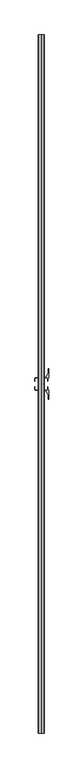
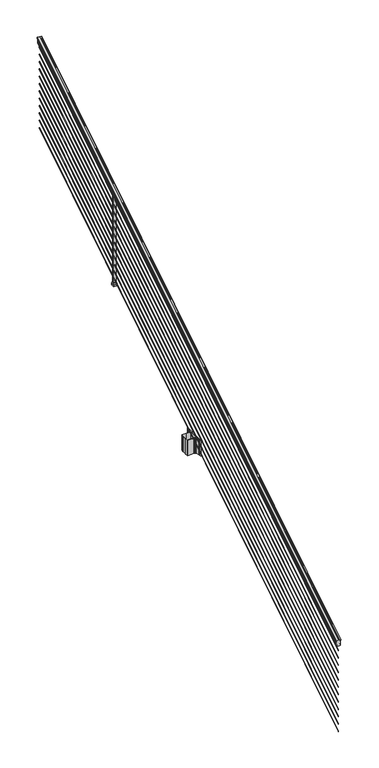
"""IFC4 building model written with IfcOpenShell, lengths in millimetres: railing geometry."""

from ifc_helpers import new_model, si_unit, point, frame, frame_2d, origin, place, context, project, spatial, polyline, circle_curve, ellipse_curve, trimmed, segment, composite_curve, outline, extrude, faceted_brep, source, transform, mapped, element, save
from ifc_brep_helpers import plane_surface, cylinder_surface, revolved_surface, advanced_brep


def railing_47678fa8(model_context):
    return source(origin(), model_context, "Body", "SolidModel", [
        advanced_brep(
        [(8666.232944, -103155.6628453, 1133.2070492), (8668.8067728, -103155.6628453, 1133.2070492), (8668.8067728, -103155.6628453, 1120.6394336), (8667.7907728, -103155.6628453, 1119.441318), (8667.7907728, -103155.6628453, 1104.9), (8699.5407728, -103155.6628453, 1104.9), (8699.5407728, -103155.6628453, 1119.6274214), (8698.5247728, -103155.6628453, 1120.825537), (8698.5247728, -103155.6628453, 1133.2070492), (8701.0986015, -103155.6628453, 1133.2070492), (8701.0986015, -103155.6628453, 1135.4335658), (8702.2287878, -103155.6628453, 1137.2758543), (8702.2287878, -103155.6628453, 1145.7876358), (8701.5795314, -103155.6628453, 1148.6572588), (8704.0795314, -103155.6628453, 1153.7635509), (8705.4888739, -103155.6628453, 1155.7442021), (8705.8907729, -103155.6628453, 1157.0469579), (8705.8907728, -103155.6628453, 1158.6274846), (8704.3373255, -103155.6628453, 1160.4593836), (8683.6657728, -103155.6628453, 1160.4593836), (8662.99422, -103155.6628453, 1160.4593836), (8661.4407728, -103155.6628453, 1158.6274846), (8661.4407728, -103155.6628453, 1157.0469579), (8661.8426717, -103155.6628453, 1155.7442021), (8663.2520141, -103155.6628453, 1153.7635509), (8665.7520141, -103155.6628453, 1148.6572588), (8665.1027577, -103155.6628453, 1145.7876358), (8665.1027577, -103155.6628453, 1137.2758543), (8666.232944, -103155.6628453, 1135.4335658), (8666.232944, -98278.8628453, 4181.2070492), (8666.232944, -98278.8628453, 4183.4335658), (8665.1027577, -98278.8628453, 4185.2758543), (8665.1027577, -98278.8628453, 4193.7876358), (8665.7520141, -98278.8628453, 4196.6572588), (8663.2520141, -98278.8628453, 4201.7635509), (8661.8426717, -98278.8628453, 4203.7442021), (8661.4407727, -98278.8628453, 4205.0469579), (8661.4407728, -98278.8628453, 4206.6274846), (8662.99422, -98278.8628453, 4208.4593836), (8683.6657728, -98278.8628453, 4208.4593836), (8704.3373255, -98278.8628453, 4208.4593836), (8705.8907728, -98278.8628453, 4206.6274846), (8705.8907728, -98278.8628453, 4205.0469579), (8705.4888739, -98278.8628453, 4203.7442021), (8704.0795314, -98278.8628453, 4201.7635509), (8701.5795314, -98278.8628453, 4196.6572588), (8702.2287878, -98278.8628453, 4193.7876358), (8702.2287878, -98278.8628453, 4185.2758543), (8701.0986015, -98278.8628453, 4183.4335658), (8701.0986015, -98278.8628453, 4181.2070492), (8698.5247728, -98278.8628453, 4181.2070492), (8698.5247728, -98278.8628453, 4168.825537), (8699.5407728, -98278.8628453, 4167.6274214), (8699.5407728, -98278.8628453, 4152.9), (8667.7907728, -98278.8628453, 4152.9), (8667.7907728, -98278.8628453, 4167.441318), (8668.8067728, -98278.8628453, 4168.6394336), (8668.8067728, -98278.8628453, 4181.2070492)],
        [
            (0, 1, ellipse_curve(frame((8667.5198584, -103155.6628453, 1133.2070492), z_axis=(0.0, -1.0, 0.0), x_axis=(0.0, 0.0, -1.0)), 1.5175907, 1.2869144)),
            (1, 2),
            (2, 3),
            (3, 4),
            (4, 5),
            (5, 6),
            (6, 7),
            (7, 8),
            (8, 9, ellipse_curve(frame((8699.8116871, -103155.6628453, 1133.2070492), z_axis=(0.0, -1.0, 0.0), x_axis=(0.0, 0.0, -1.0)), 1.5175907, 1.2869144)),
            (9, 10),
            (10, 11, ellipse_curve(frame((8694.7838482, -103155.6628453, 1142.2239405), z_axis=(0.0, -1.0, 0.0), x_axis=(0.0, 0.0, -1.0)), 10.0777926, 8.545951)),
            (11, 12, ellipse_curve(frame((8695.2209112, -103155.6628453, 1141.5317451), z_axis=(0.0, -1.0, 0.0), x_axis=(0.0, 0.0, -1.0)), 9.2955186, 7.882584)),
            (12, 13, ellipse_curve(frame((8705.7342353, -103155.6628453, 1148.4275077), z_axis=(0.0, 1.0, 0.0), x_axis=(0.0, 0.0, 1.0)), 4.9048088, 4.1592695)),
            (13, 14, ellipse_curve(frame((8707.0215419, -103155.6628453, 1148.3563208), z_axis=(0.0, 1.0, 0.0), x_axis=(0.0, 0.0, 1.0)), 6.4245301, 5.4479907)),
            (14, 15, ellipse_curve(frame((8705.7883834, -103155.6628453, 1153.7602333), z_axis=(0.0, 1.0, 0.0), x_axis=(0.0, 0.0, 1.0)), 2.0151625, 1.7088543)),
            (15, 16, ellipse_curve(frame((8704.1714833, -103155.6628453, 1157.0469579), z_axis=(0.0, -1.0, 0.0), x_axis=(0.0, 0.0, -1.0)), 2.0274681, 1.7192895)),
            (16, 17),
            (17, 18, ellipse_curve(frame((8704.3373255, -103155.6628453, 1158.6274846), z_axis=(0.0, -1.0, 0.0), x_axis=(0.0, 0.0, -1.0)), 1.831899, 1.5534472)),
            (18, 19),
            (19, 20),
            (20, 21, ellipse_curve(frame((8662.99422, -103155.6628453, 1158.6274846), z_axis=(0.0, -1.0, 0.0), x_axis=(0.0, 0.0, -1.0)), 1.831899, 1.5534472)),
            (21, 22),
            (22, 23, ellipse_curve(frame((8663.1600622, -103155.6628453, 1157.0469579), z_axis=(0.0, -1.0, 0.0), x_axis=(0.0, 0.0, -1.0)), 2.0274681, 1.7192895)),
            (23, 24, ellipse_curve(frame((8661.5431621, -103155.6628453, 1153.7602333), z_axis=(0.0, 1.0, 0.0), x_axis=(0.0, 0.0, 1.0)), 2.0151625, 1.7088543)),
            (24, 25, ellipse_curve(frame((8660.3100037, -103155.6628453, 1148.3563208), z_axis=(0.0, 1.0, 0.0), x_axis=(0.0, 0.0, 1.0)), 6.4245301, 5.4479907)),
            (25, 26, ellipse_curve(frame((8661.5973102, -103155.6628453, 1148.4275077), z_axis=(0.0, 1.0, 0.0), x_axis=(0.0, 0.0, 1.0)), 4.9048088, 4.1592695)),
            (26, 27, ellipse_curve(frame((8672.1106343, -103155.6628453, 1141.5317451), z_axis=(0.0, -1.0, 0.0), x_axis=(0.0, 0.0, -1.0)), 9.2955186, 7.882584)),
            (27, 28, ellipse_curve(frame((8672.5476973, -103155.6628453, 1142.2239405), z_axis=(0.0, -1.0, 0.0), x_axis=(0.0, 0.0, -1.0)), 10.0777926, 8.545951)),
            (28, 0),
            (29, 30),
            (30, 31, ellipse_curve(frame((8672.5476973, -98278.8628453, 4190.2239405), z_axis=(0.0, 1.0, 0.0), x_axis=(0.0, 0.0, -1.0)), 10.0777926, 8.545951)),
            (31, 32, ellipse_curve(frame((8672.1106343, -98278.8628453, 4189.5317451), z_axis=(0.0, 1.0, 0.0), x_axis=(0.0, 0.0, -1.0)), 9.2955186, 7.882584)),
            (32, 33, ellipse_curve(frame((8661.5973102, -98278.8628453, 4196.4275077), z_axis=(0.0, -1.0, 0.0), x_axis=(0.0, 0.0, 1.0)), 4.9048088, 4.1592695)),
            (33, 34, ellipse_curve(frame((8660.3100037, -98278.8628453, 4196.3563208), z_axis=(0.0, -1.0, 0.0), x_axis=(0.0, 0.0, 1.0)), 6.4245301, 5.4479907)),
            (34, 35, ellipse_curve(frame((8661.5431621, -98278.8628453, 4201.7602333), z_axis=(0.0, -1.0, 0.0), x_axis=(0.0, 0.0, 1.0)), 2.0151625, 1.7088543)),
            (35, 36, ellipse_curve(frame((8663.1600622, -98278.8628453, 4205.0469579), z_axis=(0.0, 1.0, 0.0), x_axis=(0.0, 0.0, -1.0)), 2.0274681, 1.7192895)),
            (36, 37),
            (37, 38, ellipse_curve(frame((8662.99422, -98278.8628453, 4206.6274846), z_axis=(0.0, 1.0, 0.0), x_axis=(0.0, 0.0, -1.0)), 1.831899, 1.5534472)),
            (38, 39),
            (39, 40),
            (40, 41, ellipse_curve(frame((8704.3373255, -98278.8628453, 4206.6274846), z_axis=(0.0, 1.0, 0.0), x_axis=(0.0, 0.0, -1.0)), 1.831899, 1.5534472)),
            (41, 42),
            (42, 43, ellipse_curve(frame((8704.1714833, -98278.8628453, 4205.0469579), z_axis=(0.0, 1.0, 0.0), x_axis=(0.0, 0.0, -1.0)), 2.0274681, 1.7192895)),
            (43, 44, ellipse_curve(frame((8705.7883834, -98278.8628453, 4201.7602333), z_axis=(0.0, -1.0, 0.0), x_axis=(0.0, 0.0, 1.0)), 2.0151625, 1.7088543)),
            (44, 45, ellipse_curve(frame((8707.0215419, -98278.8628453, 4196.3563208), z_axis=(0.0, -1.0, 0.0), x_axis=(0.0, 0.0, 1.0)), 6.4245301, 5.4479907)),
            (45, 46, ellipse_curve(frame((8705.7342353, -98278.8628453, 4196.4275077), z_axis=(0.0, -1.0, 0.0), x_axis=(0.0, 0.0, 1.0)), 4.9048088, 4.1592695)),
            (46, 47, ellipse_curve(frame((8695.2209112, -98278.8628453, 4189.5317451), z_axis=(0.0, 1.0, 0.0), x_axis=(0.0, 0.0, -1.0)), 9.2955186, 7.882584)),
            (47, 48, ellipse_curve(frame((8694.7838482, -98278.8628453, 4190.2239405), z_axis=(0.0, 1.0, 0.0), x_axis=(0.0, 0.0, -1.0)), 10.0777926, 8.545951)),
            (48, 49),
            (49, 50, ellipse_curve(frame((8699.8116871, -98278.8628453, 4181.2070492), z_axis=(0.0, 1.0, 0.0), x_axis=(0.0, 0.0, -1.0)), 1.5175907, 1.2869144)),
            (50, 51),
            (51, 52),
            (52, 53),
            (53, 54),
            (54, 55),
            (55, 56),
            (56, 57),
            (57, 29, ellipse_curve(frame((8667.5198584, -98278.8628453, 4181.2070492), z_axis=(0.0, 1.0, 0.0), x_axis=(0.0, 0.0, -1.0)), 1.5175907, 1.2869144)),
            (28, 30),
            (29, 0),
            (27, 31),
            (26, 32),
            (25, 33),
            (24, 34),
            (23, 35),
            (22, 36),
            (21, 37),
            (20, 38),
            (19, 39),
            (18, 40),
            (17, 41),
            (16, 42),
            (15, 43),
            (14, 44),
            (13, 45),
            (12, 46),
            (11, 47),
            (10, 48),
            (9, 49),
            (8, 50),
            (7, 51),
            (6, 52),
            (5, 53),
            (4, 54),
            (3, 55),
            (2, 56),
            (1, 57),
        ],
        [
            plane_surface(frame((8683.6657728, -103155.6628453, 1104.9), z_axis=(0.0, -1.0, 0.0), x_axis=(0.0, 0.0, 1.0))),
            plane_surface(frame((8683.6657728, -98278.8628453, 4152.9), z_axis=(0.0, 1.0, 0.0), x_axis=(0.0, 0.0, 1.0))),
            plane_surface(frame((8666.232944, -103155.6628453, 1135.4335658), z_axis=(-1.0, 0.0, 0.0), x_axis=(0.0, 0.8479983040051252, 0.5299989400031204))),
            cylinder_surface(frame((8672.5476973, -103172.43765, 1131.7396876), z_axis=(0.0, -0.8479983040051253, -0.5299989400031204), x_axis=(1.0, 0.0, 0.0)), 8.545951),
            cylinder_surface(frame((8672.1106343, -103172.1265509, 1131.241929), z_axis=(0.0, -0.8479983040051253, -0.5299989400031204), x_axis=(1.0, 0.0, 0.0)), 7.882584),
            revolved_surface(polyline([(8665.7565797, -98276.65843685035, 4197.805262980558), (8665.7565797, -103157.86725374944, 1147.0497524191019)]), (8661.5973102, -103175.2257701, 1136.2006797), (0.0, 0.8479983040051253, 0.5299989400031204)),
            revolved_surface(polyline([(8665.7579944, -98275.97541603574, 4198.160964077185), (8665.7579944, -103158.5502745528, 1146.551677504493)]), (8660.3100037, -103175.193776, 1136.1494891), (0.0, 0.8479983040051253, 0.5299989400031204)),
            revolved_surface(polyline([(8663.252016400002, -98277.95715429979, 4202.326290199658), (8663.252016400002, -103156.56853632248, 1153.1941764359544)]), (8661.5431621, -103177.6225007, 1140.0354487), (0.0, 0.8479983040051253, 0.5299989400031204)),
            cylinder_surface(frame((8663.1600622, -103179.0996803, 1142.398936), z_axis=(0.0, -0.8479983040051253, -0.5299989400031204), x_axis=(1.0, 0.0, 0.0)), 1.7192895),
            plane_surface(frame((8661.4407728, -103155.6628453, 1158.6274846), z_axis=(-1.0, 0.0, 0.0), x_axis=(0.0, 0.8479983040051252, 0.5299989400031204))),
            cylinder_surface(frame((8662.99422, -103179.8100294, 1143.5354945), z_axis=(0.0, -0.8479983040051253, -0.5299989400031204), x_axis=(1.0, 0.0, 0.0)), 1.5534472),
            plane_surface(frame((8683.6657728, -103155.6628453, 1160.4593836), z_axis=(0.0, -0.5299989400031204, 0.8479983040051252), x_axis=(0.0, 0.8479983040051252, 0.5299989400031204))),
            plane_surface(frame((8704.3373255, -103155.6628453, 1160.4593836), z_axis=(0.0, -0.5299989400031204, 0.8479983040051252), x_axis=(0.0, 0.8479983040051252, 0.5299989400031204))),
            cylinder_surface(frame((8704.3373255, -103179.8100294, 1143.5354945), z_axis=(0.0, -0.8479983040051253, -0.5299989400031204), x_axis=(-1.0, 0.0, 0.0)), 1.5534472),
            plane_surface(frame((8705.8907728, -103155.6628453, 1157.0469579), z_axis=(1.0000000000000002, 0.0, 0.0), x_axis=(0.0, 0.8479983040051253, 0.5299989400031204))),
            cylinder_surface(frame((8704.1714833, -103179.0996803, 1142.398936), z_axis=(0.0, -0.8479983040051253, -0.5299989400031204), x_axis=(-1.0, 0.0, 0.0)), 1.7192895),
            revolved_surface(polyline([(8704.0795291, -98277.95715429979, 4202.326290199658), (8704.0795291, -103156.56853632248, 1153.1941764359544)]), (8705.7883834, -103177.6225007, 1140.0354487), (0.0, 0.8479983040051253, 0.5299989400031204)),
            revolved_surface(polyline([(8701.5735512, -98275.97541603574, 4198.160964077185), (8701.5735512, -103158.5502745528, 1146.551677504493)]), (8707.0215419, -103175.193776, 1136.1494891), (0.0, 0.8479983040051253, 0.5299989400031204)),
            revolved_surface(polyline([(8701.5749658, -98276.65843685035, 4197.805262980558), (8701.5749658, -103157.86725374944, 1147.0497524191019)]), (8705.7342353, -103175.2257701, 1136.2006797), (0.0, 0.8479983040051253, 0.5299989400031204)),
            cylinder_surface(frame((8695.2209112, -103172.1265509, 1131.241929), z_axis=(0.0, -0.8479983040051253, -0.5299989400031204), x_axis=(-1.0, 0.0, 0.0)), 7.882584),
            cylinder_surface(frame((8694.7838482, -103172.43765, 1131.7396876), z_axis=(0.0, -0.8479983040051253, -0.5299989400031204), x_axis=(-1.0, 0.0, 0.0)), 8.545951),
            plane_surface(frame((8701.0986015, -103155.6628453, 1133.2070492), z_axis=(1.0, 0.0, 0.0), x_axis=(0.0, 0.8479983040051252, 0.5299989400031204))),
            cylinder_surface(frame((8699.8116871, -103168.3851146, 1125.2556309), z_axis=(0.0, -0.8479983040051253, -0.5299989400031204), x_axis=(-1.0, 0.0, 0.0)), 1.2869144),
            plane_surface(frame((8698.5247728, -103155.6628453, 1120.825537), z_axis=(1.0, 0.0, 0.0), x_axis=(0.0, 0.8479983040051252, 0.5299989400031204))),
            plane_surface(frame((8699.5407728, -103155.6628453, 1119.6274214), z_axis=(0.7071067811865426, -0.3747658444978921, 0.5996253511967194), x_axis=(0.0, 0.8479983040051253, 0.5299989400031204))),
            plane_surface(frame((8699.5407728, -103155.6628453, 1104.9), z_axis=(1.0, 0.0, 0.0), x_axis=(0.0, 0.8479983040051252, 0.5299989400031204))),
            plane_surface(frame((8667.7907728, -103155.6628453, 1104.9), z_axis=(0.0, 0.5299989400031204, -0.8479983040051252), x_axis=(0.0, 0.8479983040051252, 0.5299989400031204))),
            plane_surface(frame((8667.7907728, -103155.6628453, 1119.441318), z_axis=(-1.0000000000000002, 0.0, 0.0), x_axis=(0.0, 0.8479983040051253, 0.5299989400031204))),
            plane_surface(frame((8668.8067728, -103155.6628453, 1120.6394336), z_axis=(-0.7071067811865401, -0.3747658444978918, 0.5996253511967223), x_axis=(0.0, 0.8479983040051253, 0.5299989400031204))),
            plane_surface(frame((8668.8067728, -103155.6628453, 1133.2070492), z_axis=(-1.0, 0.0, 0.0), x_axis=(0.0, 0.8479983040051252, 0.5299989400031204))),
            cylinder_surface(frame((8667.5198584, -103168.3851146, 1125.2556309), z_axis=(0.0, -0.8479983040051253, -0.5299989400031204), x_axis=(1.0, 0.0, 0.0)), 1.2869144),
        ],
        [
            (0, [[1, 2, 3, 4, 5, 6, 7, 8, 9, 10, 11, 12, 13, 14, 15, 16, 17, 18, 19, 20, 21, 22, 23, 24, 25, 26, 27, 28, 29]]),
            (1, [[30, 31, 32, 33, 34, 35, 36, 37, 38, 39, 40, 41, 42, 43, 44, 45, 46, 47, 48, 49, 50, 51, 52, 53, 54, 55, 56, 57, 58]]),
            (2, [[-29, 59, -30, 60]]),
            (3, [[-28, 61, -31, -59]]),
            (4, [[-27, 62, -32, -61]]),
            (5, [[-26, 63, -33, -62]]),
            (6, [[-25, 64, -34, -63]]),
            (7, [[-24, 65, -35, -64]]),
            (8, [[-23, 66, -36, -65]]),
            (9, [[-22, 67, -37, -66]]),
            (10, [[-21, 68, -38, -67]]),
            (11, [[-20, 69, -39, -68]]),
            (12, [[-19, 70, -40, -69]]),
            (13, [[-18, 71, -41, -70]]),
            (14, [[-17, 72, -42, -71]]),
            (15, [[-16, 73, -43, -72]]),
            (16, [[-15, 74, -44, -73]]),
            (17, [[-14, 75, -45, -74]]),
            (18, [[-13, 76, -46, -75]]),
            (19, [[-12, 77, -47, -76]]),
            (20, [[-11, 78, -48, -77]]),
            (21, [[-10, 79, -49, -78]]),
            (22, [[-9, 80, -50, -79]]),
            (23, [[-8, 81, -51, -80]]),
            (24, [[-7, 82, -52, -81]]),
            (25, [[-6, 83, -53, -82]]),
            (26, [[-5, 84, -54, -83]]),
            (27, [[-4, 85, -55, -84]]),
            (28, [[-3, 86, -56, -85]]),
            (29, [[-2, 87, -57, -86]]),
            (30, [[-1, -60, -58, -87]]),
        ],
    ),
        advanced_brep(
        [(8685.2532728, -103155.6628453, 255.524), (8683.6657728, -103155.6628453, 257.3960556), (8682.0782728, -103155.6628453, 255.524), (8683.6657728, -103155.6628453, 253.6519444), (8685.2532728, -98278.8628453, 3303.524), (8683.6657728, -98278.8628453, 3301.6519444), (8682.0782728, -98278.8628453, 3303.524), (8683.6657728, -98278.8628453, 3305.3960556)],
        [
            (0, 1, ellipse_curve(frame((8683.6657728, -103155.6628453, 255.524), z_axis=(0.0, -1.0, 0.0), x_axis=(0.0, 0.0, -1.0)), 1.8720556, 1.5875)),
            (1, 2, ellipse_curve(frame((8683.6657728, -103155.6628453, 255.524), z_axis=(0.0, -1.0, 0.0), x_axis=(0.0, 0.0, -1.0)), 1.8720556, 1.5875)),
            (2, 3, ellipse_curve(frame((8683.6657728, -103155.6628453, 255.524), z_axis=(0.0, -1.0, 0.0), x_axis=(0.0, 0.0, -1.0)), 1.8720556, 1.5875)),
            (3, 0, ellipse_curve(frame((8683.6657728, -103155.6628453, 255.524), z_axis=(0.0, -1.0, 0.0), x_axis=(0.0, 0.0, -1.0)), 1.8720556, 1.5875)),
            (4, 5, ellipse_curve(frame((8683.6657728, -98278.8628453, 3303.524), z_axis=(0.0, 1.0, 0.0), x_axis=(0.0, 0.0, -1.0)), 1.8720556, 1.5875)),
            (5, 6, ellipse_curve(frame((8683.6657728, -98278.8628453, 3303.524), z_axis=(0.0, 1.0, 0.0), x_axis=(0.0, 0.0, -1.0)), 1.8720556, 1.5875)),
            (6, 7, ellipse_curve(frame((8683.6657728, -98278.8628453, 3303.524), z_axis=(0.0, 1.0, 0.0), x_axis=(0.0, 0.0, -1.0)), 1.8720556, 1.5875)),
            (7, 4, ellipse_curve(frame((8683.6657728, -98278.8628453, 3303.524), z_axis=(0.0, 1.0, 0.0), x_axis=(0.0, 0.0, -1.0)), 1.8720556, 1.5875)),
            (3, 5),
            (4, 0),
            (2, 6),
            (1, 7),
        ],
        [
            plane_surface(frame((8683.6657728, -103155.6628453, 255.524), z_axis=(0.0, -1.0, 0.0), x_axis=(0.0, 0.0, 1.0))),
            plane_surface(frame((8683.6657728, -98278.8628453, 3303.524), z_axis=(0.0, 1.0, 0.0), x_axis=(0.0, 0.0, 1.0))),
            cylinder_surface(frame((8683.6657728, -103155.6628453, 255.524), z_axis=(0.0, -0.8479983040051253, -0.5299989400031204), x_axis=(1.0, 0.0, 0.0)), 1.5875),
        ],
        [
            (0, [[1, 2, 3, 4]]),
            (1, [[5, 6, 7, 8]]),
            (2, [[-4, 9, -5, 10]]),
            (2, [[-3, 11, -6, -9]]),
            (2, [[-2, 12, -7, -11]]),
            (2, [[-1, -10, -8, -12]]),
        ],
    ),
        advanced_brep(
        [(8685.2532728, -103155.6628453, 328.676), (8683.6657728, -103155.6628453, 330.5480556), (8682.0782728, -103155.6628453, 328.676), (8683.6657728, -103155.6628453, 326.8039444), (8685.2532728, -98278.8628453, 3376.676), (8683.6657728, -98278.8628453, 3374.8039444), (8682.0782728, -98278.8628453, 3376.676), (8683.6657728, -98278.8628453, 3378.5480556)],
        [
            (0, 1, ellipse_curve(frame((8683.6657728, -103155.6628453, 328.676), z_axis=(0.0, -1.0, 0.0), x_axis=(0.0, 0.0, -1.0)), 1.8720556, 1.5875)),
            (1, 2, ellipse_curve(frame((8683.6657728, -103155.6628453, 328.676), z_axis=(0.0, -1.0, 0.0), x_axis=(0.0, 0.0, -1.0)), 1.8720556, 1.5875)),
            (2, 3, ellipse_curve(frame((8683.6657728, -103155.6628453, 328.676), z_axis=(0.0, -1.0, 0.0), x_axis=(0.0, 0.0, -1.0)), 1.8720556, 1.5875)),
            (3, 0, ellipse_curve(frame((8683.6657728, -103155.6628453, 328.676), z_axis=(0.0, -1.0, 0.0), x_axis=(0.0, 0.0, -1.0)), 1.8720556, 1.5875)),
            (4, 5, ellipse_curve(frame((8683.6657728, -98278.8628453, 3376.676), z_axis=(0.0, 1.0, 0.0), x_axis=(0.0, 0.0, -1.0)), 1.8720556, 1.5875)),
            (5, 6, ellipse_curve(frame((8683.6657728, -98278.8628453, 3376.676), z_axis=(0.0, 1.0, 0.0), x_axis=(0.0, 0.0, -1.0)), 1.8720556, 1.5875)),
            (6, 7, ellipse_curve(frame((8683.6657728, -98278.8628453, 3376.676), z_axis=(0.0, 1.0, 0.0), x_axis=(0.0, 0.0, -1.0)), 1.8720556, 1.5875)),
            (7, 4, ellipse_curve(frame((8683.6657728, -98278.8628453, 3376.676), z_axis=(0.0, 1.0, 0.0), x_axis=(0.0, 0.0, -1.0)), 1.8720556, 1.5875)),
            (0, 4),
            (7, 1),
            (6, 2),
            (5, 3),
        ],
        [
            plane_surface(frame((8683.6657728, -103155.6628453, 328.676), z_axis=(0.0, -1.0, 0.0), x_axis=(0.0, 0.0, 1.0))),
            plane_surface(frame((8683.6657728, -98278.8628453, 3376.676), z_axis=(0.0, 1.0, 0.0), x_axis=(0.0, 0.0, 1.0))),
            cylinder_surface(frame((8683.6657728, -103155.6628453, 328.676), z_axis=(0.0, -0.8479983040051253, -0.5299989400031204), x_axis=(1.0, 0.0, 0.0)), 1.5875),
        ],
        [
            (0, [[1, 2, 3, 4]]),
            (1, [[5, 6, 7, 8]]),
            (2, [[-1, 9, -8, 10]]),
            (2, [[-2, -10, -7, 11]]),
            (2, [[-3, -11, -6, 12]]),
            (2, [[-4, -12, -5, -9]]),
        ],
    ),
        advanced_brep(
        [(8685.2532728, -103155.6628453, 401.574), (8683.6657728, -103155.6628453, 403.4460556), (8682.0782728, -103155.6628453, 401.574), (8683.6657728, -103155.6628453, 399.7019444), (8685.2532728, -98278.8628453, 3449.574), (8683.6657728, -98278.8628453, 3447.7019444), (8682.0782728, -98278.8628453, 3449.574), (8683.6657728, -98278.8628453, 3451.4460556)],
        [
            (0, 1, ellipse_curve(frame((8683.6657728, -103155.6628453, 401.574), z_axis=(0.0, -1.0, 0.0), x_axis=(0.0, 0.0, -1.0)), 1.8720556, 1.5875)),
            (1, 2, ellipse_curve(frame((8683.6657728, -103155.6628453, 401.574), z_axis=(0.0, -1.0, 0.0), x_axis=(0.0, 0.0, -1.0)), 1.8720556, 1.5875)),
            (2, 3, ellipse_curve(frame((8683.6657728, -103155.6628453, 401.574), z_axis=(0.0, -1.0, 0.0), x_axis=(0.0, 0.0, -1.0)), 1.8720556, 1.5875)),
            (3, 0, ellipse_curve(frame((8683.6657728, -103155.6628453, 401.574), z_axis=(0.0, -1.0, 0.0), x_axis=(0.0, 0.0, -1.0)), 1.8720556, 1.5875)),
            (4, 5, ellipse_curve(frame((8683.6657728, -98278.8628453, 3449.574), z_axis=(0.0, 1.0, 0.0), x_axis=(0.0, 0.0, -1.0)), 1.8720556, 1.5875)),
            (5, 6, ellipse_curve(frame((8683.6657728, -98278.8628453, 3449.574), z_axis=(0.0, 1.0, 0.0), x_axis=(0.0, 0.0, -1.0)), 1.8720556, 1.5875)),
            (6, 7, ellipse_curve(frame((8683.6657728, -98278.8628453, 3449.574), z_axis=(0.0, 1.0, 0.0), x_axis=(0.0, 0.0, -1.0)), 1.8720556, 1.5875)),
            (7, 4, ellipse_curve(frame((8683.6657728, -98278.8628453, 3449.574), z_axis=(0.0, 1.0, 0.0), x_axis=(0.0, 0.0, -1.0)), 1.8720556, 1.5875)),
            (0, 4),
            (7, 1),
            (6, 2),
            (5, 3),
        ],
        [
            plane_surface(frame((8683.6657728, -103155.6628453, 401.574), z_axis=(0.0, -1.0, 0.0), x_axis=(0.0, 0.0, 1.0))),
            plane_surface(frame((8683.6657728, -98278.8628453, 3449.574), z_axis=(0.0, 1.0, 0.0), x_axis=(0.0, 0.0, 1.0))),
            cylinder_surface(frame((8683.6657728, -103155.6628453, 401.574), z_axis=(0.0, -0.8479983040051253, -0.5299989400031204), x_axis=(1.0, 0.0, 0.0)), 1.5875),
        ],
        [
            (0, [[1, 2, 3, 4]]),
            (1, [[5, 6, 7, 8]]),
            (2, [[-1, 9, -8, 10]]),
            (2, [[-2, -10, -7, 11]]),
            (2, [[-3, -11, -6, 12]]),
            (2, [[-4, -12, -5, -9]]),
        ],
    ),
        advanced_brep(
        [(8685.2532728, -103155.6628453, 474.726), (8683.6657728, -103155.6628453, 476.5980556), (8682.0782728, -103155.6628453, 474.726), (8683.6657728, -103155.6628453, 472.8539444), (8685.2532728, -98278.8628453, 3522.726), (8683.6657728, -98278.8628453, 3520.8539444), (8682.0782728, -98278.8628453, 3522.726), (8683.6657728, -98278.8628453, 3524.5980556)],
        [
            (0, 1, ellipse_curve(frame((8683.6657728, -103155.6628453, 474.726), z_axis=(0.0, -1.0, 0.0), x_axis=(0.0, 0.0, -1.0)), 1.8720556, 1.5875)),
            (1, 2, ellipse_curve(frame((8683.6657728, -103155.6628453, 474.726), z_axis=(0.0, -1.0, 0.0), x_axis=(0.0, 0.0, -1.0)), 1.8720556, 1.5875)),
            (2, 3, ellipse_curve(frame((8683.6657728, -103155.6628453, 474.726), z_axis=(0.0, -1.0, 0.0), x_axis=(0.0, 0.0, -1.0)), 1.8720556, 1.5875)),
            (3, 0, ellipse_curve(frame((8683.6657728, -103155.6628453, 474.726), z_axis=(0.0, -1.0, 0.0), x_axis=(0.0, 0.0, -1.0)), 1.8720556, 1.5875)),
            (4, 5, ellipse_curve(frame((8683.6657728, -98278.8628453, 3522.726), z_axis=(0.0, 1.0, 0.0), x_axis=(0.0, 0.0, -1.0)), 1.8720556, 1.5875)),
            (5, 6, ellipse_curve(frame((8683.6657728, -98278.8628453, 3522.726), z_axis=(0.0, 1.0, 0.0), x_axis=(0.0, 0.0, -1.0)), 1.8720556, 1.5875)),
            (6, 7, ellipse_curve(frame((8683.6657728, -98278.8628453, 3522.726), z_axis=(0.0, 1.0, 0.0), x_axis=(0.0, 0.0, -1.0)), 1.8720556, 1.5875)),
            (7, 4, ellipse_curve(frame((8683.6657728, -98278.8628453, 3522.726), z_axis=(0.0, 1.0, 0.0), x_axis=(0.0, 0.0, -1.0)), 1.8720556, 1.5875)),
            (0, 4),
            (7, 1),
            (6, 2),
            (5, 3),
        ],
        [
            plane_surface(frame((8683.6657728, -103155.6628453, 474.726), z_axis=(0.0, -1.0, 0.0), x_axis=(0.0, 0.0, 1.0))),
            plane_surface(frame((8683.6657728, -98278.8628453, 3522.726), z_axis=(0.0, 1.0, 0.0), x_axis=(0.0, 0.0, 1.0))),
            cylinder_surface(frame((8683.6657728, -103155.6628453, 474.726), z_axis=(0.0, -0.8479983040051253, -0.5299989400031204), x_axis=(1.0, 0.0, 0.0)), 1.5875),
        ],
        [
            (0, [[1, 2, 3, 4]]),
            (1, [[5, 6, 7, 8]]),
            (2, [[-1, 9, -8, 10]]),
            (2, [[-2, -10, -7, 11]]),
            (2, [[-3, -11, -6, 12]]),
            (2, [[-4, -12, -5, -9]]),
        ],
    ),
        advanced_brep(
        [(8685.2532728, -103155.6628453, 547.624), (8683.6657728, -103155.6628453, 549.4960556), (8682.0782728, -103155.6628453, 547.624), (8683.6657728, -103155.6628453, 545.7519444), (8685.2532728, -98278.8628453, 3595.624), (8683.6657728, -98278.8628453, 3593.7519444), (8682.0782728, -98278.8628453, 3595.624), (8683.6657728, -98278.8628453, 3597.4960556)],
        [
            (0, 1, ellipse_curve(frame((8683.6657728, -103155.6628453, 547.624), z_axis=(0.0, -1.0, 0.0), x_axis=(0.0, 0.0, -1.0)), 1.8720556, 1.5875)),
            (1, 2, ellipse_curve(frame((8683.6657728, -103155.6628453, 547.624), z_axis=(0.0, -1.0, 0.0), x_axis=(0.0, 0.0, -1.0)), 1.8720556, 1.5875)),
            (2, 3, ellipse_curve(frame((8683.6657728, -103155.6628453, 547.624), z_axis=(0.0, -1.0, 0.0), x_axis=(0.0, 0.0, -1.0)), 1.8720556, 1.5875)),
            (3, 0, ellipse_curve(frame((8683.6657728, -103155.6628453, 547.624), z_axis=(0.0, -1.0, 0.0), x_axis=(0.0, 0.0, -1.0)), 1.8720556, 1.5875)),
            (4, 5, ellipse_curve(frame((8683.6657728, -98278.8628453, 3595.624), z_axis=(0.0, 1.0, 0.0), x_axis=(0.0, 0.0, -1.0)), 1.8720556, 1.5875)),
            (5, 6, ellipse_curve(frame((8683.6657728, -98278.8628453, 3595.624), z_axis=(0.0, 1.0, 0.0), x_axis=(0.0, 0.0, -1.0)), 1.8720556, 1.5875)),
            (6, 7, ellipse_curve(frame((8683.6657728, -98278.8628453, 3595.624), z_axis=(0.0, 1.0, 0.0), x_axis=(0.0, 0.0, -1.0)), 1.8720556, 1.5875)),
            (7, 4, ellipse_curve(frame((8683.6657728, -98278.8628453, 3595.624), z_axis=(0.0, 1.0, 0.0), x_axis=(0.0, 0.0, -1.0)), 1.8720556, 1.5875)),
            (0, 4),
            (7, 1),
            (6, 2),
            (5, 3),
        ],
        [
            plane_surface(frame((8683.6657728, -103155.6628453, 547.624), z_axis=(0.0, -1.0, 0.0), x_axis=(0.0, 0.0, 1.0))),
            plane_surface(frame((8683.6657728, -98278.8628453, 3595.624), z_axis=(0.0, 1.0, 0.0), x_axis=(0.0, 0.0, 1.0))),
            cylinder_surface(frame((8683.6657728, -103155.6628453, 547.624), z_axis=(0.0, -0.8479983040051253, -0.5299989400031204), x_axis=(1.0, 0.0, 0.0)), 1.5875),
        ],
        [
            (0, [[1, 2, 3, 4]]),
            (1, [[5, 6, 7, 8]]),
            (2, [[-1, 9, -8, 10]]),
            (2, [[-2, -10, -7, 11]]),
            (2, [[-3, -11, -6, 12]]),
            (2, [[-4, -12, -5, -9]]),
        ],
    ),
        advanced_brep(
        [(8685.2532728, -103155.6628453, 620.776), (8683.6657728, -103155.6628453, 622.6480556), (8682.0782728, -103155.6628453, 620.776), (8683.6657728, -103155.6628453, 618.9039444), (8685.2532728, -98278.8628453, 3668.776), (8683.6657728, -98278.8628453, 3666.9039444), (8682.0782728, -98278.8628453, 3668.776), (8683.6657728, -98278.8628453, 3670.6480556)],
        [
            (0, 1, ellipse_curve(frame((8683.6657728, -103155.6628453, 620.776), z_axis=(0.0, -1.0, 0.0), x_axis=(0.0, 0.0, -1.0)), 1.8720556, 1.5875)),
            (1, 2, ellipse_curve(frame((8683.6657728, -103155.6628453, 620.776), z_axis=(0.0, -1.0, 0.0), x_axis=(0.0, 0.0, -1.0)), 1.8720556, 1.5875)),
            (2, 3, ellipse_curve(frame((8683.6657728, -103155.6628453, 620.776), z_axis=(0.0, -1.0, 0.0), x_axis=(0.0, 0.0, -1.0)), 1.8720556, 1.5875)),
            (3, 0, ellipse_curve(frame((8683.6657728, -103155.6628453, 620.776), z_axis=(0.0, -1.0, 0.0), x_axis=(0.0, 0.0, -1.0)), 1.8720556, 1.5875)),
            (4, 5, ellipse_curve(frame((8683.6657728, -98278.8628453, 3668.776), z_axis=(0.0, 1.0, 0.0), x_axis=(0.0, 0.0, -1.0)), 1.8720556, 1.5875)),
            (5, 6, ellipse_curve(frame((8683.6657728, -98278.8628453, 3668.776), z_axis=(0.0, 1.0, 0.0), x_axis=(0.0, 0.0, -1.0)), 1.8720556, 1.5875)),
            (6, 7, ellipse_curve(frame((8683.6657728, -98278.8628453, 3668.776), z_axis=(0.0, 1.0, 0.0), x_axis=(0.0, 0.0, -1.0)), 1.8720556, 1.5875)),
            (7, 4, ellipse_curve(frame((8683.6657728, -98278.8628453, 3668.776), z_axis=(0.0, 1.0, 0.0), x_axis=(0.0, 0.0, -1.0)), 1.8720556, 1.5875)),
            (0, 4),
            (7, 1),
            (6, 2),
            (5, 3),
        ],
        [
            plane_surface(frame((8683.6657728, -103155.6628453, 620.776), z_axis=(0.0, -1.0, 0.0), x_axis=(0.0, 0.0, 1.0))),
            plane_surface(frame((8683.6657728, -98278.8628453, 3668.776), z_axis=(0.0, 1.0, 0.0), x_axis=(0.0, 0.0, 1.0))),
            cylinder_surface(frame((8683.6657728, -103155.6628453, 620.776), z_axis=(0.0, -0.8479983040051253, -0.5299989400031204), x_axis=(1.0, 0.0, 0.0)), 1.5875),
        ],
        [
            (0, [[1, 2, 3, 4]]),
            (1, [[5, 6, 7, 8]]),
            (2, [[-1, 9, -8, 10]]),
            (2, [[-2, -10, -7, 11]]),
            (2, [[-3, -11, -6, 12]]),
            (2, [[-4, -12, -5, -9]]),
        ],
    ),
        advanced_brep(
        [(8685.2532728, -103155.6628453, 693.674), (8683.6657728, -103155.6628453, 695.5460556), (8682.0782728, -103155.6628453, 693.674), (8683.6657728, -103155.6628453, 691.8019444), (8685.2532728, -98278.8628453, 3741.674), (8683.6657728, -98278.8628453, 3739.8019444), (8682.0782728, -98278.8628453, 3741.674), (8683.6657728, -98278.8628453, 3743.5460556)],
        [
            (0, 1, ellipse_curve(frame((8683.6657728, -103155.6628453, 693.674), z_axis=(0.0, -1.0, 0.0), x_axis=(0.0, 0.0, -1.0)), 1.8720556, 1.5875)),
            (1, 2, ellipse_curve(frame((8683.6657728, -103155.6628453, 693.674), z_axis=(0.0, -1.0, 0.0), x_axis=(0.0, 0.0, -1.0)), 1.8720556, 1.5875)),
            (2, 3, ellipse_curve(frame((8683.6657728, -103155.6628453, 693.674), z_axis=(0.0, -1.0, 0.0), x_axis=(0.0, 0.0, -1.0)), 1.8720556, 1.5875)),
            (3, 0, ellipse_curve(frame((8683.6657728, -103155.6628453, 693.674), z_axis=(0.0, -1.0, 0.0), x_axis=(0.0, 0.0, -1.0)), 1.8720556, 1.5875)),
            (4, 5, ellipse_curve(frame((8683.6657728, -98278.8628453, 3741.674), z_axis=(0.0, 1.0, 0.0), x_axis=(0.0, 0.0, -1.0)), 1.8720556, 1.5875)),
            (5, 6, ellipse_curve(frame((8683.6657728, -98278.8628453, 3741.674), z_axis=(0.0, 1.0, 0.0), x_axis=(0.0, 0.0, -1.0)), 1.8720556, 1.5875)),
            (6, 7, ellipse_curve(frame((8683.6657728, -98278.8628453, 3741.674), z_axis=(0.0, 1.0, 0.0), x_axis=(0.0, 0.0, -1.0)), 1.8720556, 1.5875)),
            (7, 4, ellipse_curve(frame((8683.6657728, -98278.8628453, 3741.674), z_axis=(0.0, 1.0, 0.0), x_axis=(0.0, 0.0, -1.0)), 1.8720556, 1.5875)),
            (0, 4),
            (7, 1),
            (6, 2),
            (5, 3),
        ],
        [
            plane_surface(frame((8683.6657728, -103155.6628453, 693.674), z_axis=(0.0, -1.0, 0.0), x_axis=(0.0, 0.0, 1.0))),
            plane_surface(frame((8683.6657728, -98278.8628453, 3741.674), z_axis=(0.0, 1.0, 0.0), x_axis=(0.0, 0.0, 1.0))),
            cylinder_surface(frame((8683.6657728, -103155.6628453, 693.674), z_axis=(0.0, -0.8479983040051253, -0.5299989400031204), x_axis=(1.0, 0.0, 0.0)), 1.5875),
        ],
        [
            (0, [[1, 2, 3, 4]]),
            (1, [[5, 6, 7, 8]]),
            (2, [[-1, 9, -8, 10]]),
            (2, [[-2, -10, -7, 11]]),
            (2, [[-3, -11, -6, 12]]),
            (2, [[-4, -12, -5, -9]]),
        ],
    ),
        advanced_brep(
        [(8685.2532728, -103155.6628453, 766.826), (8683.6657728, -103155.6628453, 768.6980556), (8682.0782728, -103155.6628453, 766.826), (8683.6657728, -103155.6628453, 764.9539444), (8685.2532728, -98278.8628453, 3814.826), (8683.6657728, -98278.8628453, 3812.9539444), (8682.0782728, -98278.8628453, 3814.826), (8683.6657728, -98278.8628453, 3816.6980556)],
        [
            (0, 1, ellipse_curve(frame((8683.6657728, -103155.6628453, 766.826), z_axis=(0.0, -1.0, 0.0), x_axis=(0.0, 0.0, -1.0)), 1.8720556, 1.5875)),
            (1, 2, ellipse_curve(frame((8683.6657728, -103155.6628453, 766.826), z_axis=(0.0, -1.0, 0.0), x_axis=(0.0, 0.0, -1.0)), 1.8720556, 1.5875)),
            (2, 3, ellipse_curve(frame((8683.6657728, -103155.6628453, 766.826), z_axis=(0.0, -1.0, 0.0), x_axis=(0.0, 0.0, -1.0)), 1.8720556, 1.5875)),
            (3, 0, ellipse_curve(frame((8683.6657728, -103155.6628453, 766.826), z_axis=(0.0, -1.0, 0.0), x_axis=(0.0, 0.0, -1.0)), 1.8720556, 1.5875)),
            (4, 5, ellipse_curve(frame((8683.6657728, -98278.8628453, 3814.826), z_axis=(0.0, 1.0, 0.0), x_axis=(0.0, 0.0, -1.0)), 1.8720556, 1.5875)),
            (5, 6, ellipse_curve(frame((8683.6657728, -98278.8628453, 3814.826), z_axis=(0.0, 1.0, 0.0), x_axis=(0.0, 0.0, -1.0)), 1.8720556, 1.5875)),
            (6, 7, ellipse_curve(frame((8683.6657728, -98278.8628453, 3814.826), z_axis=(0.0, 1.0, 0.0), x_axis=(0.0, 0.0, -1.0)), 1.8720556, 1.5875)),
            (7, 4, ellipse_curve(frame((8683.6657728, -98278.8628453, 3814.826), z_axis=(0.0, 1.0, 0.0), x_axis=(0.0, 0.0, -1.0)), 1.8720556, 1.5875)),
            (0, 4),
            (7, 1),
            (6, 2),
            (5, 3),
        ],
        [
            plane_surface(frame((8683.6657728, -103155.6628453, 766.826), z_axis=(0.0, -1.0, 0.0), x_axis=(0.0, 0.0, 1.0))),
            plane_surface(frame((8683.6657728, -98278.8628453, 3814.826), z_axis=(0.0, 1.0, 0.0), x_axis=(0.0, 0.0, 1.0))),
            cylinder_surface(frame((8683.6657728, -103155.6628453, 766.826), z_axis=(0.0, -0.8479983040051253, -0.5299989400031204), x_axis=(1.0, 0.0, 0.0)), 1.5875),
        ],
        [
            (0, [[1, 2, 3, 4]]),
            (1, [[5, 6, 7, 8]]),
            (2, [[-1, 9, -8, 10]]),
            (2, [[-2, -10, -7, 11]]),
            (2, [[-3, -11, -6, 12]]),
            (2, [[-4, -12, -5, -9]]),
        ],
    ),
        advanced_brep(
        [(8685.2532728, -103155.6628453, 839.724), (8683.6657728, -103155.6628453, 841.5960556), (8682.0782728, -103155.6628453, 839.724), (8683.6657728, -103155.6628453, 837.8519444), (8685.2532728, -98278.8628453, 3887.724), (8683.6657728, -98278.8628453, 3885.8519444), (8682.0782728, -98278.8628453, 3887.724), (8683.6657728, -98278.8628453, 3889.5960556)],
        [
            (0, 1, ellipse_curve(frame((8683.6657728, -103155.6628453, 839.724), z_axis=(0.0, -1.0, 0.0), x_axis=(0.0, 0.0, -1.0)), 1.8720556, 1.5875)),
            (1, 2, ellipse_curve(frame((8683.6657728, -103155.6628453, 839.724), z_axis=(0.0, -1.0, 0.0), x_axis=(0.0, 0.0, -1.0)), 1.8720556, 1.5875)),
            (2, 3, ellipse_curve(frame((8683.6657728, -103155.6628453, 839.724), z_axis=(0.0, -1.0, 0.0), x_axis=(0.0, 0.0, -1.0)), 1.8720556, 1.5875)),
            (3, 0, ellipse_curve(frame((8683.6657728, -103155.6628453, 839.724), z_axis=(0.0, -1.0, 0.0), x_axis=(0.0, 0.0, -1.0)), 1.8720556, 1.5875)),
            (4, 5, ellipse_curve(frame((8683.6657728, -98278.8628453, 3887.724), z_axis=(0.0, 1.0, 0.0), x_axis=(0.0, 0.0, -1.0)), 1.8720556, 1.5875)),
            (5, 6, ellipse_curve(frame((8683.6657728, -98278.8628453, 3887.724), z_axis=(0.0, 1.0, 0.0), x_axis=(0.0, 0.0, -1.0)), 1.8720556, 1.5875)),
            (6, 7, ellipse_curve(frame((8683.6657728, -98278.8628453, 3887.724), z_axis=(0.0, 1.0, 0.0), x_axis=(0.0, 0.0, -1.0)), 1.8720556, 1.5875)),
            (7, 4, ellipse_curve(frame((8683.6657728, -98278.8628453, 3887.724), z_axis=(0.0, 1.0, 0.0), x_axis=(0.0, 0.0, -1.0)), 1.8720556, 1.5875)),
            (0, 4),
            (7, 1),
            (6, 2),
            (5, 3),
        ],
        [
            plane_surface(frame((8683.6657728, -103155.6628453, 839.724), z_axis=(0.0, -1.0, 0.0), x_axis=(0.0, 0.0, 1.0))),
            plane_surface(frame((8683.6657728, -98278.8628453, 3887.724), z_axis=(0.0, 1.0, 0.0), x_axis=(0.0, 0.0, 1.0))),
            cylinder_surface(frame((8683.6657728, -103155.6628453, 839.724), z_axis=(0.0, -0.8479983040051253, -0.5299989400031204), x_axis=(1.0, 0.0, 0.0)), 1.5875),
        ],
        [
            (0, [[1, 2, 3, 4]]),
            (1, [[5, 6, 7, 8]]),
            (2, [[-1, 9, -8, 10]]),
            (2, [[-2, -10, -7, 11]]),
            (2, [[-3, -11, -6, 12]]),
            (2, [[-4, -12, -5, -9]]),
        ],
    ),
        advanced_brep(
        [(8685.2532728, -103155.6628453, 912.876), (8683.6657728, -103155.6628453, 914.7480556), (8682.0782728, -103155.6628453, 912.876), (8683.6657728, -103155.6628453, 911.0039444), (8685.2532728, -98278.8628453, 3960.876), (8683.6657728, -98278.8628453, 3959.0039444), (8682.0782728, -98278.8628453, 3960.876), (8683.6657728, -98278.8628453, 3962.7480556)],
        [
            (0, 1, ellipse_curve(frame((8683.6657728, -103155.6628453, 912.876), z_axis=(0.0, -1.0, 0.0), x_axis=(0.0, 0.0, -1.0)), 1.8720556, 1.5875)),
            (1, 2, ellipse_curve(frame((8683.6657728, -103155.6628453, 912.876), z_axis=(0.0, -1.0, 0.0), x_axis=(0.0, 0.0, -1.0)), 1.8720556, 1.5875)),
            (2, 3, ellipse_curve(frame((8683.6657728, -103155.6628453, 912.876), z_axis=(0.0, -1.0, 0.0), x_axis=(0.0, 0.0, -1.0)), 1.8720556, 1.5875)),
            (3, 0, ellipse_curve(frame((8683.6657728, -103155.6628453, 912.876), z_axis=(0.0, -1.0, 0.0), x_axis=(0.0, 0.0, -1.0)), 1.8720556, 1.5875)),
            (4, 5, ellipse_curve(frame((8683.6657728, -98278.8628453, 3960.876), z_axis=(0.0, 1.0, 0.0), x_axis=(0.0, 0.0, -1.0)), 1.8720556, 1.5875)),
            (5, 6, ellipse_curve(frame((8683.6657728, -98278.8628453, 3960.876), z_axis=(0.0, 1.0, 0.0), x_axis=(0.0, 0.0, -1.0)), 1.8720556, 1.5875)),
            (6, 7, ellipse_curve(frame((8683.6657728, -98278.8628453, 3960.876), z_axis=(0.0, 1.0, 0.0), x_axis=(0.0, 0.0, -1.0)), 1.8720556, 1.5875)),
            (7, 4, ellipse_curve(frame((8683.6657728, -98278.8628453, 3960.876), z_axis=(0.0, 1.0, 0.0), x_axis=(0.0, 0.0, -1.0)), 1.8720556, 1.5875)),
            (0, 4),
            (7, 1),
            (6, 2),
            (5, 3),
        ],
        [
            plane_surface(frame((8683.6657728, -103155.6628453, 912.876), z_axis=(0.0, -1.0, 0.0), x_axis=(0.0, 0.0, 1.0))),
            plane_surface(frame((8683.6657728, -98278.8628453, 3960.876), z_axis=(0.0, 1.0, 0.0), x_axis=(0.0, 0.0, 1.0))),
            cylinder_surface(frame((8683.6657728, -103155.6628453, 912.876), z_axis=(0.0, -0.8479983040051253, -0.5299989400031204), x_axis=(1.0, 0.0, 0.0)), 1.5875),
        ],
        [
            (0, [[1, 2, 3, 4]]),
            (1, [[5, 6, 7, 8]]),
            (2, [[-1, 9, -8, 10]]),
            (2, [[-2, -10, -7, 11]]),
            (2, [[-3, -11, -6, 12]]),
            (2, [[-4, -12, -5, -9]]),
        ],
    ),
        advanced_brep(
        [(8685.2532728, -103155.6628453, 985.774), (8683.6657728, -103155.6628453, 987.6460556), (8682.0782728, -103155.6628453, 985.774), (8683.6657728, -103155.6628453, 983.9019444), (8685.2532728, -98278.8628453, 4033.774), (8683.6657728, -98278.8628453, 4031.9019444), (8682.0782728, -98278.8628453, 4033.774), (8683.6657728, -98278.8628453, 4035.6460556)],
        [
            (0, 1, ellipse_curve(frame((8683.6657728, -103155.6628453, 985.774), z_axis=(0.0, -1.0, 0.0), x_axis=(0.0, 0.0, -1.0)), 1.8720556, 1.5875)),
            (1, 2, ellipse_curve(frame((8683.6657728, -103155.6628453, 985.774), z_axis=(0.0, -1.0, 0.0), x_axis=(0.0, 0.0, -1.0)), 1.8720556, 1.5875)),
            (2, 3, ellipse_curve(frame((8683.6657728, -103155.6628453, 985.774), z_axis=(0.0, -1.0, 0.0), x_axis=(0.0, 0.0, -1.0)), 1.8720556, 1.5875)),
            (3, 0, ellipse_curve(frame((8683.6657728, -103155.6628453, 985.774), z_axis=(0.0, -1.0, 0.0), x_axis=(0.0, 0.0, -1.0)), 1.8720556, 1.5875)),
            (4, 5, ellipse_curve(frame((8683.6657728, -98278.8628453, 4033.774), z_axis=(0.0, 1.0, 0.0), x_axis=(0.0, 0.0, -1.0)), 1.8720556, 1.5875)),
            (5, 6, ellipse_curve(frame((8683.6657728, -98278.8628453, 4033.774), z_axis=(0.0, 1.0, 0.0), x_axis=(0.0, 0.0, -1.0)), 1.8720556, 1.5875)),
            (6, 7, ellipse_curve(frame((8683.6657728, -98278.8628453, 4033.774), z_axis=(0.0, 1.0, 0.0), x_axis=(0.0, 0.0, -1.0)), 1.8720556, 1.5875)),
            (7, 4, ellipse_curve(frame((8683.6657728, -98278.8628453, 4033.774), z_axis=(0.0, 1.0, 0.0), x_axis=(0.0, 0.0, -1.0)), 1.8720556, 1.5875)),
            (0, 4),
            (7, 1),
            (6, 2),
            (5, 3),
        ],
        [
            plane_surface(frame((8683.6657728, -103155.6628453, 985.774), z_axis=(0.0, -1.0, 0.0), x_axis=(0.0, 0.0, 1.0))),
            plane_surface(frame((8683.6657728, -98278.8628453, 4033.774), z_axis=(0.0, 1.0, 0.0), x_axis=(0.0, 0.0, 1.0))),
            cylinder_surface(frame((8683.6657728, -103155.6628453, 985.774), z_axis=(0.0, -0.8479983040051253, -0.5299989400031204), x_axis=(1.0, 0.0, 0.0)), 1.5875),
        ],
        [
            (0, [[1, 2, 3, 4]]),
            (1, [[5, 6, 7, 8]]),
            (2, [[-1, 9, -8, 10]]),
            (2, [[-2, -10, -7, 11]]),
            (2, [[-3, -11, -6, 12]]),
            (2, [[-4, -12, -5, -9]]),
        ],
    ),
        advanced_brep(
        [(8685.2532728, -103155.6628453, 1058.926), (8683.6657728, -103155.6628453, 1060.7980556), (8682.0782728, -103155.6628453, 1058.926), (8683.6657728, -103155.6628453, 1057.0539444), (8685.2532728, -98278.8628453, 4106.926), (8683.6657728, -98278.8628453, 4105.0539444), (8682.0782728, -98278.8628453, 4106.926), (8683.6657728, -98278.8628453, 4108.7980556)],
        [
            (0, 1, ellipse_curve(frame((8683.6657728, -103155.6628453, 1058.926), z_axis=(0.0, -1.0, 0.0), x_axis=(0.0, 0.0, -1.0)), 1.8720556, 1.5875)),
            (1, 2, ellipse_curve(frame((8683.6657728, -103155.6628453, 1058.926), z_axis=(0.0, -1.0, 0.0), x_axis=(0.0, 0.0, -1.0)), 1.8720556, 1.5875)),
            (2, 3, ellipse_curve(frame((8683.6657728, -103155.6628453, 1058.926), z_axis=(0.0, -1.0, 0.0), x_axis=(0.0, 0.0, -1.0)), 1.8720556, 1.5875)),
            (3, 0, ellipse_curve(frame((8683.6657728, -103155.6628453, 1058.926), z_axis=(0.0, -1.0, 0.0), x_axis=(0.0, 0.0, -1.0)), 1.8720556, 1.5875)),
            (4, 5, ellipse_curve(frame((8683.6657728, -98278.8628453, 4106.926), z_axis=(0.0, 1.0, 0.0), x_axis=(0.0, 0.0, -1.0)), 1.8720556, 1.5875)),
            (5, 6, ellipse_curve(frame((8683.6657728, -98278.8628453, 4106.926), z_axis=(0.0, 1.0, 0.0), x_axis=(0.0, 0.0, -1.0)), 1.8720556, 1.5875)),
            (6, 7, ellipse_curve(frame((8683.6657728, -98278.8628453, 4106.926), z_axis=(0.0, 1.0, 0.0), x_axis=(0.0, 0.0, -1.0)), 1.8720556, 1.5875)),
            (7, 4, ellipse_curve(frame((8683.6657728, -98278.8628453, 4106.926), z_axis=(0.0, 1.0, 0.0), x_axis=(0.0, 0.0, -1.0)), 1.8720556, 1.5875)),
            (0, 4),
            (7, 1),
            (6, 2),
            (5, 3),
        ],
        [
            plane_surface(frame((8683.6657728, -103155.6628453, 1058.926), z_axis=(0.0, -1.0, 0.0), x_axis=(0.0, 0.0, 1.0))),
            plane_surface(frame((8683.6657728, -98278.8628453, 4106.926), z_axis=(0.0, 1.0, 0.0), x_axis=(0.0, 0.0, 1.0))),
            cylinder_surface(frame((8683.6657728, -103155.6628453, 1058.926), z_axis=(0.0, -0.8479983040051253, -0.5299989400031204), x_axis=(1.0, 0.0, 0.0)), 1.5875),
        ],
        [
            (0, [[1, 2, 3, 4]]),
            (1, [[5, 6, 7, 8]]),
            (2, [[-1, 9, -8, 10]]),
            (2, [[-2, -10, -7, 11]]),
            (2, [[-3, -11, -6, 12]]),
            (2, [[-4, -12, -5, -9]]),
        ],
    ),
        faceted_brep([(8670.9657728, -99510.7628453, 2508.6497081), (8696.3657728, -99510.7628453, 2508.6497081), (8696.3657728, -99485.3628453, 2508.6497081), (8670.9657728, -99485.3628453, 2508.6497081), (8667.7907728, -99513.9378453, 2492.7747081), (8667.7907728, -99482.1878453, 2492.7747081), (8699.5407728, -99482.1878453, 2492.7747081), (8699.5407728, -99513.9378453, 2492.7747081)], [[[0, 1, 2, 3]], [[4, 5, 6, 7]], [[4, 7, 1, 0]], [[7, 6, 2, 1]], [[6, 5, 3, 2]], [[5, 4, 0, 3]]]),
        extrude(outline(polyline([(8667.7907728, -99513.9378453), (8667.7907728, -99482.1878453), (8699.5407728, -99482.1878453), (8699.5407728, -99513.9378453), (8667.7907728, -99513.9378453)])), frame((0.0, 0.0, 2476.5), z_axis=(0.0, 0.0, 1.0), x_axis=(1.0, 0.0, 0.0)), (0.0, 0.0, 1.0), 16.2747081),
        extrude(outline(polyline([(8674.1407728, -99507.5878453), (8674.1407728, -99488.5378453), (8693.1907728, -99488.5378453), (8693.1907728, -99507.5878453), (8674.1407728, -99507.5878453)])), frame((0.0, 0.0, 2476.5), z_axis=(0.0, 0.0, 1.0), x_axis=(1.0, 0.0, 0.0)), (0.0, 0.0, 1.0), 914.4),
        extrude(outline(composite_curve([segment(polyline([(8640.9302728, -100734.6489401), (8640.9302728, -100699.8767504), (8639.3427728, -100699.1147504), (8639.3427728, -100676.3128224), (8642.7157498, -100672.9398453), (8704.1754206, -100672.9398453), (8704.1754206, -100672.0190953), (8709.4929645, -100672.0190953), (8709.4929645, -100670.5648406), (8714.5774942, -100670.5648406), (8714.5774942, -100669.2808168), (8716.2447665, -100669.2808168)]), True, "CONTINUOUS"), segment(trimmed(circle_curve(frame_2d((8716.2447665, -100662.2213569)), 7.0594599), [point((8716.2447665, -100669.2808168))], [point((8723.0120293, -100664.2313636))], True, "CARTESIAN"), True, "CONTINUOUS"), segment(polyline([(8723.0120293, -100664.2313636), (8730.8862236, -100637.7206345)]), True, "CONTINUOUS"), segment(trimmed(circle_curve(frame_2d((8676.1017103, -100621.4485848)), 57.15), [point((8730.8862236, -100637.7206345))], [point((8733.2517103, -100621.4485848))], True, "CARTESIAN"), True, "CONTINUOUS"), segment(polyline([(8733.2517103, -100621.4485848), (8733.2517103, -100609.4398453), (8736.2517103, -100609.4398453), (8736.2517103, -100674.5273453), (8727.9887728, -100685.8656366), (8727.9887728, -100699.1147504), (8726.4012728, -100699.8767504), (8726.4012728, -100734.6489401), (8727.9887728, -100735.4109401), (8727.9887728, -100748.660054), (8736.2517103, -100759.9983453), (8736.2517103, -100825.0858453), (8733.2517103, -100825.0858453), (8733.2517103, -100813.0771057)]), True, "CONTINUOUS"), segment(trimmed(circle_curve(frame_2d((8676.1017103, -100813.0771057)), 57.15), [point((8733.2517103, -100813.0771057))], [point((8730.8862236, -100796.8050561))], True, "CARTESIAN"), True, "CONTINUOUS"), segment(polyline([(8730.8862236, -100796.8050561), (8723.0120293, -100770.294327)]), True, "CONTINUOUS"), segment(trimmed(circle_curve(frame_2d((8716.2447665, -100772.3043337)), 7.0594599), [point((8723.0120293, -100770.294327))], [point((8716.2447665, -100765.2448738))], True, "CARTESIAN"), True, "CONTINUOUS"), segment(polyline([(8716.2447665, -100765.2448738), (8714.5774942, -100765.2448738), (8714.5774942, -100763.96085), (8709.4929645, -100763.96085), (8709.4929645, -100762.5065953), (8704.1754206, -100762.5065953), (8704.1754206, -100761.5858453), (8642.7157498, -100761.5858453), (8639.3427728, -100758.2128682), (8639.3427728, -100735.4109401), (8640.9302728, -100734.6489401)]), True, "CONTINUOUS")], self_intersect=False), holes=[polyline([(8724.9407728, -100677.5753453), (8723.3532728, -100675.9878453), (8686.4289902, -100675.9878453), (8643.9782728, -100675.9878453), (8642.3907728, -100677.5753453), (8642.3907728, -100756.9503453), (8643.9782728, -100758.5378453), (8686.4289902, -100758.5378453), (8723.3532728, -100758.5378453), (8724.9407728, -100756.9503453), (8724.9407728, -100677.5753453)])]), frame((0.0, 0.0, 1562.1), z_axis=(0.0, 0.0, 1.0), x_axis=(1.0, 0.0, 0.0)), (0.0, 0.0, 1.0), 152.4),
    ])


if __name__ == "__main__":
    model = new_model("IFC4")
    model_context = context("Model", 3, world=origin())
    ifc_project = project(units=[si_unit("LENGTHUNIT", "METRE", prefix="MILLI")], contexts=[model_context])
    site = spatial("IfcSite", under=ifc_project)
    building = spatial("IfcBuilding", under=site)
    placement = place(None, origin())
    railing_shape = railing_47678fa8(model_context)
    element("IfcRailing", 1, at=placement, inside=building, context=model_context, shape_type="MappedRepresentation", body=[
        mapped(railing_shape, transform((0.0, 0.0, 0.0), x_axis=(1.0, 0.0, 0.0), y_axis=(0.0, 1.0, 0.0), z_axis=(0.0, 0.0, 1.0))),
    ])
    save(model, "model.ifc")
